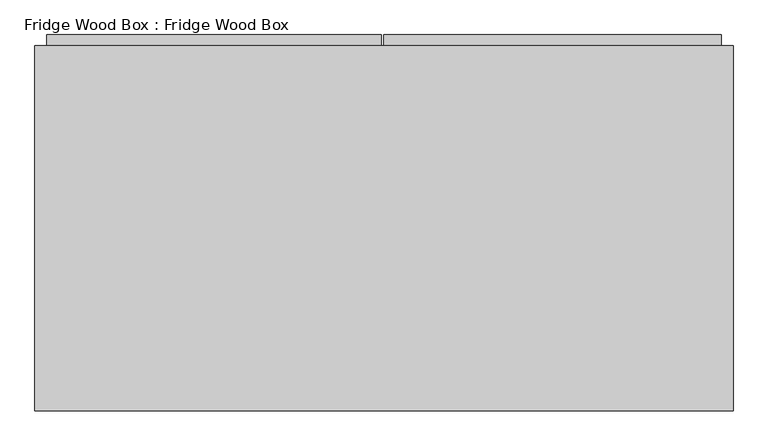
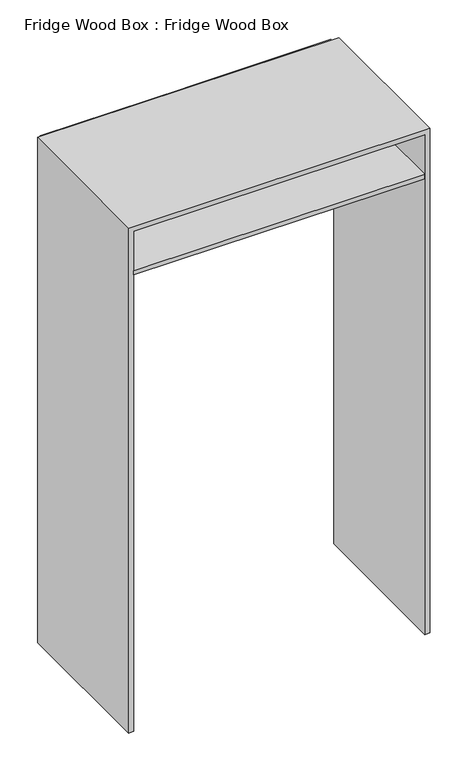
"""IFC4 building model written with IfcOpenShell, lengths in millimetres: furniture geometry, Fridge Wood Box : Fridge Wood Box."""

from ifc_helpers import new_model, si_unit, frame, origin, place, context, project, spatial, polyline, outline, extrude, source, transform, mapped, element, save


def fridge_wood_box_fridge_wood_box_7857e6bd(model_context):
    return source(origin(), model_context, "Body", "SweptSolid", [
        extrude(outline(polyline([(1219.0, 15491.3647066), (1779.5, 15491.3647066), (1779.5, 15473.3647066), (1219.0, 15473.3647066), (1219.0, 15491.3647066)])), frame((0.0, 0.0, 2878.3924862), z_axis=(0.0, 0.0, 1.0), x_axis=(1.0, 0.0, 0.0)), (0.0, 0.0, 1.0), 180.0),
        extrude(outline(polyline([(1783.5, 15491.3647066), (2349.0, 15491.3647066), (2349.0, 15473.3647066), (1783.5, 15473.3647066), (1783.5, 15491.3647066)])), frame((0.0, 0.0, 2878.3924862), z_axis=(0.0, 0.0, 1.0), x_axis=(1.0, 0.0, 0.0)), (0.0, 0.0, 1.0), 180.0),
        extrude(outline(polyline([(1219.0, 15473.3647066), (2349.0, 15473.3647066), (2349.0, 14860.6647066), (1219.0, 14860.6647066), (1219.0, 15473.3647066)])), frame((0.0, 0.0, 2870.3924862), z_axis=(0.0, 0.0, 1.0), x_axis=(1.0, 0.0, 0.0)), (0.0, 0.0, 1.0), 18.0),
        extrude(outline(polyline([(3070.0, 2369.0), (3070.0, 1199.0), (998.4047278, 1199.0), (998.4047278, 1219.0), (3050.0, 1219.0), (3050.0, 2349.0), (1000.0, 2349.0), (1000.0, 2369.0), (3070.0, 2369.0)])), frame((0.0, 14860.6647066, 0.0), z_axis=(0.0, 1.0, 0.0), x_axis=(0.0, 0.0, 1.0)), (0.0, 0.0, 1.0), 612.7),
    ])


if __name__ == "__main__":
    model = new_model("IFC4")
    model_context = context("Model", 3, world=origin())
    ifc_project = project(units=[si_unit("LENGTHUNIT", "METRE", prefix="MILLI")], contexts=[model_context])
    site = spatial("IfcSite", under=ifc_project)
    building = spatial("IfcBuilding", under=site)
    placement = place(None, origin())
    fridge_wood_box_fridge_wood_box_shape = fridge_wood_box_fridge_wood_box_7857e6bd(model_context)
    element("IfcFurniture", 1, ObjectType="Fridge Wood Box : Fridge Wood Box", at=placement, inside=building, context=model_context, shape_type="MappedRepresentation", body=[
        mapped(fridge_wood_box_fridge_wood_box_shape, transform((0.0, 0.0, 0.0), x_axis=(1.0, 0.0, 0.0), y_axis=(0.0, 1.0, 0.0), z_axis=(0.0, 0.0, 1.0))),
    ])
    save(model, "model.ifc")
